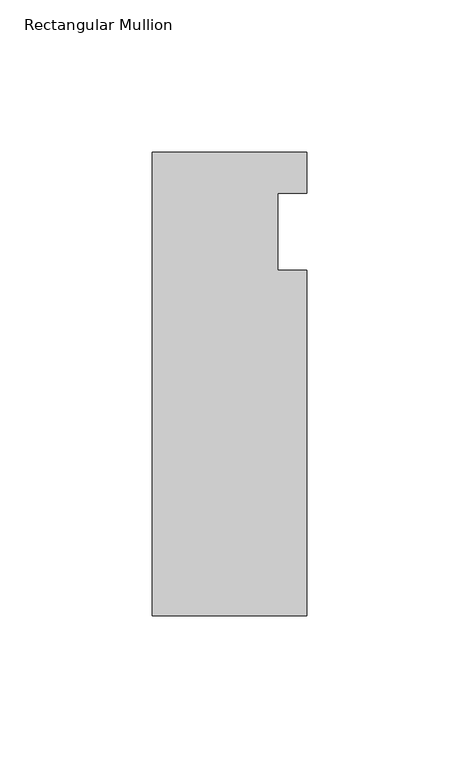
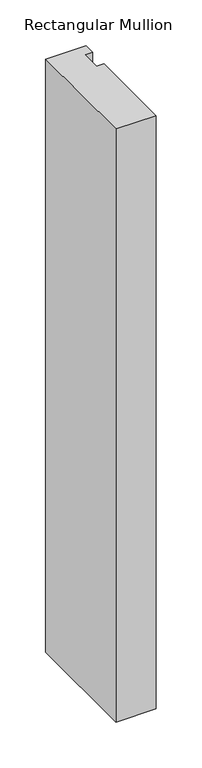
"""IFC4 building model written with IfcOpenShell, lengths in millimetres: member geometry, Rectangular Mullion."""

from ifc_helpers import new_model, si_unit, frame, origin, place, context, project, spatial, polyline, outline, extrude, source, transform, mapped, element, save


def rectangular_mullion_8d08aad6(model_context):
    return source(origin(), model_context, "Body", "SweptSolid", [
        extrude(outline(polyline([(-25.4, 26.19375), (25.4, 26.19375), (25.4, 12.7), (15.875, 12.7), (15.875, -12.7), (25.4, -12.7), (25.4, -126.20625), (-25.4, -126.20625), (-25.4, 26.19375)])), frame((0.0, 0.0, -787.4), z_axis=(0.0, 0.0, 1.0), x_axis=(1.0, 0.0, 0.0)), (0.0, 0.0, 1.0), 787.4),
    ])


if __name__ == "__main__":
    model = new_model("IFC4")
    model_context = context("Model", 3, world=origin())
    ifc_project = project(units=[si_unit("LENGTHUNIT", "METRE", prefix="MILLI")], contexts=[model_context])
    site = spatial("IfcSite", under=ifc_project)
    building = spatial("IfcBuilding", under=site)
    placement = place(None, origin())
    rectangular_mullion_shape = rectangular_mullion_8d08aad6(model_context)
    element("IfcMember", 1, ObjectType="Rectangular Mullion", at=placement, inside=building, context=model_context, shape_type="MappedRepresentation", body=[
        mapped(rectangular_mullion_shape, transform((0.0, 0.0, 0.0), x_axis=(1.0, 0.0, 0.0), y_axis=(0.0, 1.0, 0.0), z_axis=(0.0, 0.0, 1.0))),
    ])
    save(model, "model.ifc")
